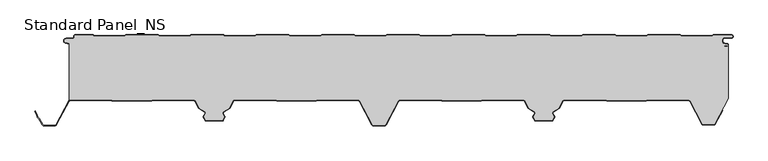
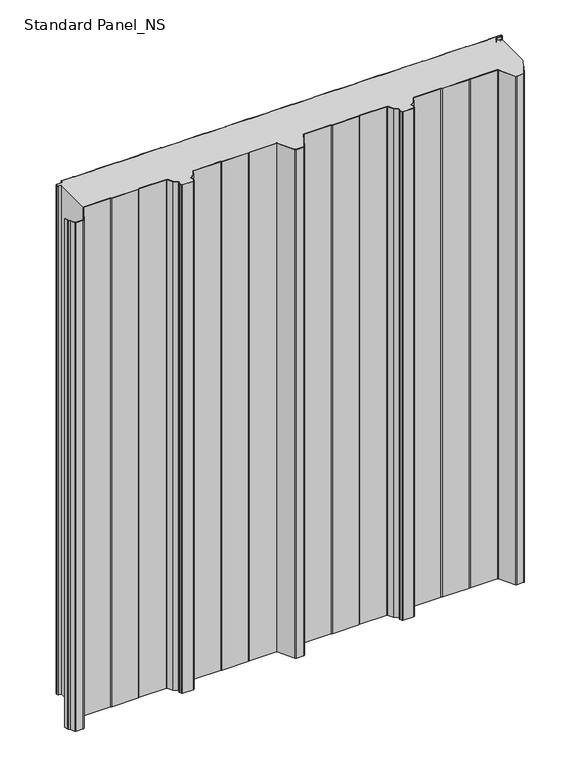
"""IFC4 building model written with IfcOpenShell, lengths in millimetres: proxy geometry, Standard Panel_NS."""

from ifc_helpers import new_model, si_unit, point, frame_2d, origin, origin_with_axes, place, context, project, spatial, polyline, circle_curve, trimmed, segment, composite_curve, outline, extrude, source, transform, mapped, element, save


def standard_panel_ns_d8371c5f(model_context):
    return source(origin(), model_context, "Body", "SweptSolid", [
        extrude(outline(composite_curve([segment(trimmed(circle_curve(frame_2d((-467.4564897, -101.75)), 2.55), [point((-467.4564897, -99.2))], [point((-468.8443846, -99.6107833))], True, "CARTESIAN"), True, "CONTINUOUS"), segment(polyline([(-468.8443846, -99.6107833), (-468.8443846, -13.0699171), (-474.2876002, -11.8132517)]), True, "CONTINUOUS"), segment(trimmed(circle_curve(frame_2d((-473.6464897, -9.036297)), 2.85), [point((-474.2876002, -11.8132517))], [point((-473.6464897, -6.186297))], False, "CARTESIAN"), True, "CONTINUOUS"), segment(polyline([(-473.6464897, -6.186297), (-463.8464897, -6.186297)]), True, "CONTINUOUS"), segment(trimmed(circle_curve(frame_2d((-463.8464897, -3.436297)), 2.75), [point((-463.8464897, -6.186297))], [point((-461.0964897, -3.436297))], True, "CARTESIAN"), True, "CONTINUOUS"), segment(polyline([(-461.0964897, -3.436297), (-461.0964897, -2.036297)]), True, "CONTINUOUS"), segment(trimmed(circle_curve(frame_2d((-459.8464897, -2.036297)), 1.25), [point((-461.0964897, -2.036297))], [point((-459.8464897, -0.786297))], False, "CARTESIAN"), True, "CONTINUOUS"), segment(polyline([(-459.8464897, -0.786297), (-432.8331943, -0.786297), (-431.1011435, -1.786297), (-384.6771824, -1.786297), (-382.902681, -0.786297), (-333.8331943, -0.786297), (-332.1011435, -1.8), (-285.6365264, -1.8), (-283.9044756, -0.8), (-234.8331943, -0.8), (-233.1011435, -1.8), (-186.6771824, -1.8), (-184.902681, -0.8), (-135.8331943, -0.8), (-134.1011435, -1.8), (-87.6771824, -1.8), (-85.902681, -0.8), (-36.8331943, -0.8), (-35.1011435, -1.8), (11.3634736, -1.8), (13.0955244, -0.8), (62.1668057, -0.8), (63.8988565, -1.8), (110.3634736, -1.8), (112.0955244, -0.8), (161.1668057, -0.8), (162.8988565, -1.8), (209.3228176, -1.8), (211.097319, -0.8), (260.1668057, -0.8), (261.8988565, -1.8), (308.3634736, -1.8), (310.0955244, -0.8), (359.1668057, -0.8), (360.8988565, -1.8), (407.3634736, -1.8), (409.0955244, -0.8), (458.1668057, -0.8), (459.8988565, -1.8), (506.3634736, -1.8), (508.0955244, -0.8), (535.6535103, -0.8)]), True, "CONTINUOUS"), segment(trimmed(circle_curve(frame_2d((535.6535103, -2.55)), 1.75), [point((535.6535103, -0.8))], [point((535.6535103, -4.3))], False, "CARTESIAN"), True, "CONTINUOUS"), segment(polyline([(535.6535103, -4.3), (526.1535103, -4.3)]), True, "CONTINUOUS"), segment(trimmed(circle_curve(frame_2d((526.1535103, -9.05)), 4.75), [point((526.1535103, -4.3))], [point((525.3286815, -13.7278368))], True, "CARTESIAN"), True, "CONTINUOUS"), segment(polyline([(525.3286815, -13.7278368), (529.6534477, -14.4904098)]), True, "CONTINUOUS"), segment(trimmed(circle_curve(frame_2d((529.5058468, -15.3274964)), 0.85), [point((529.6534477, -14.4904098))], [point((529.6253445, -16.1690547))], False, "CARTESIAN"), True, "CONTINUOUS"), segment(polyline([(529.6253445, -16.1690547), (524.7012285, -16.8682582), (524.8136969, -17.660313), (529.7378129, -16.9611095)]), True, "CONTINUOUS"), segment(trimmed(circle_curve(frame_2d((529.5058468, -15.3274964)), 1.65), [point((529.7378129, -16.9611095))], [point((531.1556156, -15.3551162))], True, "CARTESIAN"), True, "CONTINUOUS"), segment(polyline([(531.1556156, -15.3551162), (531.1556156, -96.7559646), (510.5652518, -135.4808064)]), True, "CONTINUOUS"), segment(trimmed(circle_curve(frame_2d((508.7552093, -134.5183897)), 2.05), [point((510.5652518, -135.4808064))], [point((508.7552093, -136.5683897))], False, "CARTESIAN"), True, "CONTINUOUS"), segment(polyline([(508.7552093, -136.5683897), (493.2446093, -136.5683897)]), True, "CONTINUOUS"), segment(trimmed(circle_curve(frame_2d((493.2446093, -134.5183897)), 2.05), [point((493.2446093, -136.5683897))], [point((491.4348615, -135.4813607))], False, "CARTESIAN"), True, "CONTINUOUS"), segment(polyline([(491.4348615, -135.4813607), (472.9163892, -100.5090325)]), True, "CONTINUOUS"), segment(trimmed(circle_curve(frame_2d((470.7064911, -101.7198823)), 2.5198823), [point((472.9163892, -100.5090325))], [point((470.7064911, -99.2))], True, "CARTESIAN"), True, "CONTINUOUS"), segment(polyline([(470.7064911, -99.2), (409.30759, -99.2), (406.3541332, -100.1683897), (346.5543556, -100.1683897), (343.5388467, -99.2), (281.6583282, -99.2)]), True, "CONTINUOUS"), segment(trimmed(circle_curve(frame_2d((281.4706486, -100.9901889)), 1.8), [point((281.6583282, -99.2))], [point((279.8813514, -100.1451242))], True, "CARTESIAN"), True, "CONTINUOUS"), segment(polyline([(279.8813514, -100.1451242), (273.7569305, -111.6632074), (264.7735386, -117.3508249)]), True, "CONTINUOUS"), segment(trimmed(circle_curve(frame_2d((265.7364071, -118.8716418)), 1.8), [point((264.7735386, -117.3508249))], [point((264.1273846, -119.6785164))], True, "CARTESIAN"), True, "CONTINUOUS"), segment(polyline([(264.1273846, -119.6785164), (266.7244548, -124.8574433), (263.7468294, -130.4573069), (238.2529825, -130.4573069), (235.2699012, -124.8466132), (237.8617103, -119.6784342)]), True, "CONTINUOUS"), segment(trimmed(circle_curve(frame_2d((236.2527038, -118.8715276)), 1.8), [point((237.8617103, -119.6784342))], [point((237.2156025, -117.3507298))], True, "CARTESIAN"), True, "CONTINUOUS"), segment(polyline([(237.2156025, -117.3507298), (228.2489804, -111.6734802), (222.1195681, -100.1454573)]), True, "CONTINUOUS"), segment(trimmed(circle_curve(frame_2d((220.5302541, -100.9904904)), 1.8), [point((222.1195681, -100.1454573))], [point((220.3454724, -99.2))], True, "CARTESIAN"), True, "CONTINUOUS"), segment(polyline([(220.3454724, -99.2), (158.8926889, -99.2), (156.5110491, -100.1683897), (96.7197082, -100.1683897), (94.3380684, -99.2), (32.543497, -99.2)]), True, "CONTINUOUS"), segment(trimmed(circle_curve(frame_2d((32.543497, -101.75)), 2.55), [point((32.543497, -99.2))], [point((30.2919806, -100.5528475))], True, "CARTESIAN"), True, "CONTINUOUS"), segment(polyline([(30.2919806, -100.5528475), (11.188746, -136.4808064)]), True, "CONTINUOUS"), segment(trimmed(circle_curve(frame_2d((9.3787035, -135.5183897)), 2.05), [point((11.188746, -136.4808064))], [point((9.3787035, -137.5683897))], False, "CARTESIAN"), True, "CONTINUOUS"), segment(polyline([(9.3787035, -137.5683897), (-7.3788849, -137.5683897)]), True, "CONTINUOUS"), segment(trimmed(circle_curve(frame_2d((-7.3788849, -135.5183897)), 2.05), [point((-7.3788849, -137.5683897))], [point((-9.1889275, -136.4808064))], False, "CARTESIAN"), True, "CONTINUOUS"), segment(polyline([(-9.1889275, -136.4808064), (-28.292162, -100.5528475)]), True, "CONTINUOUS"), segment(trimmed(circle_curve(frame_2d((-30.5436784, -101.75)), 2.55), [point((-28.292162, -100.5528475))], [point((-30.5436784, -99.2))], True, "CARTESIAN"), True, "CONTINUOUS"), segment(polyline([(-30.5436784, -99.2), (-91.8382499, -99.2), (-94.2198897, -100.1683897), (-154.0112306, -100.1683897), (-156.392871, -99.2), (-218.5304355, -99.2)]), True, "CONTINUOUS"), segment(trimmed(circle_curve(frame_2d((-218.5304355, -100.9997352)), 1.7997352), [point((-218.5304355, -99.2))], [point((-220.1195157, -100.1548264))], True, "CARTESIAN"), True, "CONTINUOUS"), segment(polyline([(-220.1195157, -100.1548264), (-226.2491619, -111.6832892), (-235.2157839, -117.3605387)]), True, "CONTINUOUS"), segment(trimmed(circle_curve(frame_2d((-234.2528851, -118.8813366)), 1.8), [point((-235.2157839, -117.3605387))], [point((-235.8618916, -119.6882431))], True, "CARTESIAN"), True, "CONTINUOUS"), segment(polyline([(-235.8618916, -119.6882431), (-233.2700817, -124.8564238), (-236.2531818, -130.4669529), (-261.74715, -130.4669529), (-264.7246358, -124.8672514), (-262.1275659, -119.6883253)]), True, "CONTINUOUS"), segment(trimmed(circle_curve(frame_2d((-263.7365884, -118.8814507)), 1.8), [point((-262.1275659, -119.6883253))], [point((-262.7737199, -117.3606338))], True, "CARTESIAN"), True, "CONTINUOUS"), segment(polyline([(-262.7737199, -117.3606338), (-271.7571118, -111.6730163), (-277.8815327, -100.1549332)]), True, "CONTINUOUS"), segment(trimmed(circle_curve(frame_2d((-279.4708299, -100.9999978)), 1.8), [point((-277.8815327, -100.1549332))], [point((-279.468044, -99.2))], True, "CARTESIAN"), True, "CONTINUOUS"), segment(polyline([(-279.468044, -99.2), (-341.6073108, -99.2), (-343.9889442, -100.1683897), (-403.7802849, -100.1683897), (-406.1619183, -99.2), (-467.4564897, -99.2)]), True, "CONTINUOUS")], self_intersect=False)), origin_with_axes(), (0.0, 0.0, 1.0), 1219.2),
        extrude(outline(composite_curve([segment(trimmed(circle_curve(frame_2d((535.6535103, -2.55)), 2.55), [point((535.6535103, 0.0))], [point((535.6535103, -5.1))], False, "CARTESIAN"), True, "CONTINUOUS"), segment(polyline([(535.6535103, -5.1), (526.1535103, -5.1)]), True, "CONTINUOUS"), segment(trimmed(circle_curve(frame_2d((526.1535103, -9.05)), 3.95), [point((526.1535103, -5.1))], [point((525.4676, -12.9399906))], True, "CARTESIAN"), True, "CONTINUOUS"), segment(polyline([(525.4676, -12.9399906), (529.7923663, -13.7025636)]), True, "CONTINUOUS"), segment(trimmed(circle_curve(frame_2d((529.5058468, -15.3274964)), 1.65), [point((529.7923663, -13.7025636))], [point((529.7378129, -16.9611095))], False, "CARTESIAN"), True, "CONTINUOUS"), segment(polyline([(529.7378129, -16.9611095), (524.8136969, -17.660313), (524.7012285, -16.8682582), (529.6253445, -16.1690547)]), True, "CONTINUOUS"), segment(trimmed(circle_curve(frame_2d((529.5058468, -15.3274964)), 0.85), [point((529.6253445, -16.1690547))], [point((529.6534477, -14.4904098))], True, "CARTESIAN"), True, "CONTINUOUS"), segment(polyline([(529.6534477, -14.4904098), (525.3286815, -13.7278368)]), True, "CONTINUOUS"), segment(trimmed(circle_curve(frame_2d((526.1535103, -9.05)), 4.75), [point((525.3286815, -13.7278368))], [point((526.1535103, -4.3))], False, "CARTESIAN"), True, "CONTINUOUS"), segment(polyline([(526.1535103, -4.3), (535.6535103, -4.3)]), True, "CONTINUOUS"), segment(trimmed(circle_curve(frame_2d((535.6535103, -2.55)), 1.75), [point((535.6535103, -4.3))], [point((535.6535103, -0.8))], True, "CARTESIAN"), True, "CONTINUOUS"), segment(polyline([(535.6535103, -0.8), (508.0955244, -0.8), (506.3634736, -1.8), (459.8988565, -1.8), (458.1668057, -0.8), (409.0955244, -0.8), (407.3634736, -1.8), (360.8988565, -1.8), (359.1668057, -0.8), (310.0955244, -0.8), (308.3634736, -1.8), (261.8988565, -1.8), (260.1668057, -0.8), (211.097319, -0.8), (209.3228176, -1.8), (162.8988565, -1.8), (161.1668057, -0.8), (112.0955244, -0.8), (110.3634736, -1.8), (63.8988565, -1.8), (62.1668057, -0.8), (13.0955244, -0.8), (11.3634736, -1.8), (-35.1011435, -1.8), (-36.8331943, -0.8), (-85.902681, -0.8), (-87.6771824, -1.8), (-134.1011435, -1.8), (-135.8331943, -0.8), (-184.902681, -0.8), (-186.6771824, -1.8), (-233.1011435, -1.8), (-234.8331943, -0.8), (-283.9044756, -0.8), (-285.6365264, -1.8), (-332.1011435, -1.8), (-333.8331943, -0.786297), (-382.902681, -0.786297), (-384.6771824, -1.786297), (-431.1011435, -1.786297), (-432.8331943, -0.786297), (-459.8464897, -0.786297)]), True, "CONTINUOUS"), segment(trimmed(circle_curve(frame_2d((-459.8464897, -2.036297)), 1.25), [point((-459.8464897, -0.786297))], [point((-461.0964897, -2.036297))], True, "CARTESIAN"), True, "CONTINUOUS"), segment(polyline([(-461.0964897, -2.036297), (-461.0964897, -3.436297)]), True, "CONTINUOUS"), segment(trimmed(circle_curve(frame_2d((-463.8464897, -3.436297)), 2.75), [point((-461.0964897, -3.436297))], [point((-463.8464897, -6.186297))], False, "CARTESIAN"), True, "CONTINUOUS"), segment(polyline([(-463.8464897, -6.186297), (-473.6464897, -6.186297)]), True, "CONTINUOUS"), segment(trimmed(circle_curve(frame_2d((-473.6464897, -9.036297)), 2.85), [point((-473.6464897, -6.186297))], [point((-474.2876002, -11.8132517))], True, "CARTESIAN"), True, "CONTINUOUS"), segment(polyline([(-474.2876002, -11.8132517), (-468.8443846, -13.0699171), (-469.0243454, -13.8494131), (-474.4675611, -12.5927478)]), True, "CONTINUOUS"), segment(trimmed(circle_curve(frame_2d((-473.6464897, -9.036297)), 3.65), [point((-474.4675611, -12.5927478))], [point((-473.6464897, -5.386297))], False, "CARTESIAN"), True, "CONTINUOUS"), segment(polyline([(-473.6464897, -5.386297), (-463.8464897, -5.386297)]), True, "CONTINUOUS"), segment(trimmed(circle_curve(frame_2d((-463.8464897, -3.436297)), 1.95), [point((-463.8464897, -5.386297))], [point((-461.8964897, -3.436297))], True, "CARTESIAN"), True, "CONTINUOUS"), segment(polyline([(-461.8964897, -3.436297), (-461.8964897, -2.036297)]), True, "CONTINUOUS"), segment(trimmed(circle_curve(frame_2d((-459.8464897, -2.036297)), 2.05), [point((-461.8964897, -2.036297))], [point((-459.8464897, 0.013703))], False, "CARTESIAN"), True, "CONTINUOUS"), segment(polyline([(-459.8464897, 0.013703), (-432.618835, 0.013703), (-430.8867842, -0.986297), (-384.8870804, -0.986297), (-383.1125789, 0.013703), (-333.618835, 0.013703), (-331.8867842, -1.0), (-285.8508858, -1.0), (-284.118835, 0.0), (-234.618835, 0.0), (-232.8867842, -1.0), (-186.8870804, -1.0), (-185.1125789, 0.0), (-135.618835, 0.0), (-133.8867842, -1.0), (-87.8870804, -1.0), (-86.1125789, 0.0), (-36.618835, 0.0), (-34.8867842, -1.0), (11.1491142, -1.0), (12.881165, 0.0), (62.381165, 0.0), (64.1132158, -1.0), (110.1491142, -1.0), (111.881165, 0.0), (161.381165, 0.0), (163.1132158, -1.0), (209.1129196, -1.0), (210.8874211, 0.0), (260.381165, 0.0), (262.1132158, -1.0), (308.1491142, -1.0), (309.881165, 0.0), (359.381165, 0.0), (361.1132158, -1.0), (407.1491142, -1.0), (408.881165, 0.0), (458.381165, 0.0), (460.1132158, -1.0), (506.1491142, -1.0), (507.881165, 0.0), (535.6535103, 0.0)]), True, "CONTINUOUS")], self_intersect=False)), origin_with_axes(), (0.0, 0.0, 1.0), 1219.2),
        extrude(outline(composite_curve([segment(trimmed(circle_curve(frame_2d((-467.4564897, -101.75)), 1.75), [point((-467.4564897, -100.0))], [point((-469.001648, -100.9284248))], True, "CARTESIAN"), True, "CONTINUOUS"), segment(polyline([(-469.001648, -100.9284248), (-488.1048826, -136.8563836)]), True, "CONTINUOUS"), segment(trimmed(circle_curve(frame_2d((-490.6212832, -135.5183897)), 2.85), [point((-488.1048826, -136.8563836))], [point((-490.6212832, -138.3683897))], False, "CARTESIAN"), True, "CONTINUOUS"), segment(polyline([(-490.6212832, -138.3683897), (-507.3620907, -138.3683897)]), True, "CONTINUOUS"), segment(trimmed(circle_curve(frame_2d((-507.3620907, -135.5183897)), 2.85), [point((-507.3620907, -138.3683897))], [point((-509.8784914, -136.8563836))], False, "CARTESIAN"), True, "CONTINUOUS"), segment(polyline([(-509.8784914, -136.8563836), (-514.7628407, -127.6702585), (-517.1803883, -125.3708693), (-517.7777505, -122.000038), (-520.8462798, -116.2289737), (-520.1399217, -115.8533964), (-517.0120726, -121.7360251), (-516.4385398, -124.9723908), (-514.1174305, -127.1800551), (-509.1721333, -136.4808064)]), True, "CONTINUOUS"), segment(trimmed(circle_curve(frame_2d((-507.3620907, -135.5183897)), 2.05), [point((-509.1721333, -136.4808064))], [point((-507.3620907, -137.5683897))], True, "CARTESIAN"), True, "CONTINUOUS"), segment(polyline([(-507.3620907, -137.5683897), (-490.6212832, -137.5683897)]), True, "CONTINUOUS"), segment(trimmed(circle_curve(frame_2d((-490.6212832, -135.5183897)), 2.05), [point((-490.6212832, -137.5683897))], [point((-488.8112406, -136.4808064))], True, "CARTESIAN"), True, "CONTINUOUS"), segment(polyline([(-488.8112406, -136.4808064), (-469.7080061, -100.5528475)]), True, "CONTINUOUS"), segment(trimmed(circle_curve(frame_2d((-467.4564897, -101.75)), 2.55), [point((-469.7080061, -100.5528475))], [point((-467.4564897, -99.2))], False, "CARTESIAN"), True, "CONTINUOUS"), segment(polyline([(-467.4564897, -99.2), (-406.1619183, -99.2), (-403.7802849, -100.1683897), (-343.9889442, -100.1683897), (-341.6073108, -99.2), (-279.468044, -99.2)]), True, "CONTINUOUS"), segment(trimmed(circle_curve(frame_2d((-279.4708299, -100.9999978)), 1.8), [point((-279.468044, -99.2))], [point((-277.8815327, -100.1549332))], False, "CARTESIAN"), True, "CONTINUOUS"), segment(polyline([(-277.8815327, -100.1549332), (-271.7571118, -111.6730163), (-262.7737199, -117.3606338)]), True, "CONTINUOUS"), segment(trimmed(circle_curve(frame_2d((-263.7365884, -118.8814507)), 1.8), [point((-262.7737199, -117.3606338))], [point((-262.1275659, -119.6883253))], False, "CARTESIAN"), True, "CONTINUOUS"), segment(polyline([(-262.1275659, -119.6883253), (-264.7246358, -124.8672514), (-261.74715, -130.4669529), (-236.2531818, -130.4669529), (-233.2700817, -124.8564238), (-235.8618916, -119.6882431)]), True, "CONTINUOUS"), segment(trimmed(circle_curve(frame_2d((-234.2528851, -118.8813366)), 1.8), [point((-235.8618916, -119.6882431))], [point((-235.2157839, -117.3605387))], False, "CARTESIAN"), True, "CONTINUOUS"), segment(polyline([(-235.2157839, -117.3605387), (-226.2491619, -111.6832892), (-220.1195157, -100.1548264)]), True, "CONTINUOUS"), segment(trimmed(circle_curve(frame_2d((-218.5304355, -100.9997352)), 1.7997352), [point((-220.1195157, -100.1548264))], [point((-218.5304355, -99.2))], False, "CARTESIAN"), True, "CONTINUOUS"), segment(polyline([(-218.5304355, -99.2), (-156.392871, -99.2), (-154.0112306, -100.1683897), (-94.2198897, -100.1683897), (-91.8382499, -99.2), (-30.5436784, -99.2)]), True, "CONTINUOUS"), segment(trimmed(circle_curve(frame_2d((-30.5436784, -101.75)), 2.55), [point((-30.5436784, -99.2))], [point((-28.292162, -100.5528475))], False, "CARTESIAN"), True, "CONTINUOUS"), segment(polyline([(-28.292162, -100.5528475), (-9.1889275, -136.4808064)]), True, "CONTINUOUS"), segment(trimmed(circle_curve(frame_2d((-7.3788849, -135.5183897)), 2.05), [point((-9.1889275, -136.4808064))], [point((-7.3788849, -137.5683897))], True, "CARTESIAN"), True, "CONTINUOUS"), segment(polyline([(-7.3788849, -137.5683897), (9.3787035, -137.5683897)]), True, "CONTINUOUS"), segment(trimmed(circle_curve(frame_2d((9.3787035, -135.5183897)), 2.05), [point((9.3787035, -137.5683897))], [point((11.188746, -136.4808064))], True, "CARTESIAN"), True, "CONTINUOUS"), segment(polyline([(11.188746, -136.4808064), (30.2919806, -100.5528475)]), True, "CONTINUOUS"), segment(trimmed(circle_curve(frame_2d((32.543497, -101.75)), 2.55), [point((30.2919806, -100.5528475))], [point((32.543497, -99.2))], False, "CARTESIAN"), True, "CONTINUOUS"), segment(polyline([(32.543497, -99.2), (93.8380684, -99.2), (96.2197082, -100.1683897), (156.0110491, -100.1683897), (158.3926889, -99.2), (220.3454724, -99.2)]), True, "CONTINUOUS"), segment(trimmed(circle_curve(frame_2d((220.5302541, -100.9904904)), 1.8), [point((220.3454724, -99.2))], [point((222.1195681, -100.1454573))], False, "CARTESIAN"), True, "CONTINUOUS"), segment(polyline([(222.1195681, -100.1454573), (228.2489804, -111.6734802), (237.2156025, -117.3507298)]), True, "CONTINUOUS"), segment(trimmed(circle_curve(frame_2d((236.2527038, -118.8715276)), 1.8), [point((237.2156025, -117.3507298))], [point((237.8617103, -119.6784342))], False, "CARTESIAN"), True, "CONTINUOUS"), segment(polyline([(237.8617103, -119.6784342), (235.2699012, -124.8466132), (238.2529825, -130.4573069), (263.7468294, -130.4573069), (266.7244548, -124.8574433), (264.1273846, -119.6785164)]), True, "CONTINUOUS"), segment(trimmed(circle_curve(frame_2d((265.7364071, -118.8716418)), 1.8), [point((264.1273846, -119.6785164))], [point((264.7735386, -117.3508249))], False, "CARTESIAN"), True, "CONTINUOUS"), segment(polyline([(264.7735386, -117.3508249), (273.7569305, -111.6632074), (279.8813514, -100.1451242)]), True, "CONTINUOUS"), segment(trimmed(circle_curve(frame_2d((281.4706486, -100.9901889)), 1.8), [point((279.8813514, -100.1451242))], [point((281.6583282, -99.2))], False, "CARTESIAN"), True, "CONTINUOUS"), segment(polyline([(281.6583282, -99.2), (343.440414, -99.2), (346.4559229, -100.1683897), (406.3541332, -100.1683897), (409.30759, -99.2), (470.7064911, -99.2)]), True, "CONTINUOUS"), segment(trimmed(circle_curve(frame_2d((470.7064911, -101.7198823)), 2.5198823), [point((470.7064911, -99.2))], [point((472.9163892, -100.5090325))], False, "CARTESIAN"), True, "CONTINUOUS"), segment(polyline([(472.9163892, -100.5090325), (491.4348615, -135.4813607)]), True, "CONTINUOUS"), segment(trimmed(circle_curve(frame_2d((493.2446093, -134.5183897)), 2.05), [point((491.4348615, -135.4813607))], [point((493.2446093, -136.5683897))], True, "CARTESIAN"), True, "CONTINUOUS"), segment(polyline([(493.2446093, -136.5683897), (508.7552093, -136.5683897)]), True, "CONTINUOUS"), segment(trimmed(circle_curve(frame_2d((508.7552093, -134.5183897)), 2.05), [point((508.7552093, -136.5683897))], [point((510.5652518, -135.4808064))], True, "CARTESIAN"), True, "CONTINUOUS"), segment(polyline([(510.5652518, -135.4808064), (521.5330465, -114.8533847), (522.2394046, -115.2289619), (511.2716099, -135.8563836)]), True, "CONTINUOUS"), segment(trimmed(circle_curve(frame_2d((508.7552093, -134.5183897)), 2.85), [point((511.2716099, -135.8563836))], [point((508.7552093, -137.3683897))], False, "CARTESIAN"), True, "CONTINUOUS"), segment(polyline([(508.7552093, -137.3683897), (493.2446093, -137.3683897)]), True, "CONTINUOUS"), segment(trimmed(circle_curve(frame_2d((493.2446093, -134.5183897)), 2.85), [point((493.2446093, -137.3683897))], [point((490.7282086, -135.8563836))], False, "CARTESIAN"), True, "CONTINUOUS"), segment(polyline([(490.7282086, -135.8563836), (472.2123141, -100.8889236)]), True, "CONTINUOUS"), segment(trimmed(circle_curve(frame_2d((470.7064911, -101.7198823)), 1.7198823), [point((472.2123141, -100.8889236))], [point((470.7064911, -100.0))], True, "CARTESIAN"), True, "CONTINUOUS"), segment(polyline([(470.7064911, -100.0), (409.435396, -100.0), (406.4819392, -100.9683897), (346.3306196, -100.9683897), (343.3151107, -100.0), (281.6103837, -100.0)]), True, "CONTINUOUS"), segment(trimmed(circle_curve(frame_2d((281.4706486, -100.9901889)), 1.0), [point((281.6103837, -100.0))], [point((280.5877057, -100.5207085))], True, "CARTESIAN"), True, "CONTINUOUS"), segment(polyline([(280.5877057, -100.5207085), (274.3638391, -112.2258174), (265.2014801, -118.0267435)]), True, "CONTINUOUS"), segment(trimmed(circle_curve(frame_2d((265.7364071, -118.8716418)), 1.0), [point((265.2014801, -118.0267435))], [point((264.8425057, -119.3199055))], True, "CARTESIAN"), True, "CONTINUOUS"), segment(polyline([(264.8425057, -119.3199055), (267.3932697, -124.4064911)]), True, "CONTINUOUS"), segment(trimmed(circle_curve(frame_2d((266.4993683, -124.8547548)), 1.0), [point((267.3932697, -124.4064911))], [point((267.3823077, -125.3242418))], False, "CARTESIAN"), True, "CONTINUOUS"), segment(polyline([(267.3823077, -125.3242418), (264.6506332, -130.4615583)]), True, "CONTINUOUS"), segment(trimmed(circle_curve(frame_2d((263.3262591, -129.7573465)), 1.4999604), [point((264.6506332, -130.4615583))], [point((263.3262591, -131.2573069))], False, "CARTESIAN"), True, "CONTINUOUS"), segment(polyline([(263.3262591, -131.2573069), (238.673644, -131.2573069)]), True, "CONTINUOUS"), segment(trimmed(circle_curve(frame_2d((238.673644, -129.7572281)), 1.5000788), [point((238.673644, -131.2573069))], [point((237.3491357, -130.4614397))], False, "CARTESIAN"), True, "CONTINUOUS"), segment(polyline([(237.3491357, -130.4614397), (234.6120274, -125.3133815)]), True, "CONTINUOUS"), segment(trimmed(circle_curve(frame_2d((235.4949866, -124.8439317)), 1.0), [point((234.6120274, -125.3133815))], [point((234.6010941, -124.3956503))], False, "CARTESIAN"), True, "CONTINUOUS"), segment(polyline([(234.6010941, -124.3956503), (237.1465963, -119.319809)]), True, "CONTINUOUS"), segment(trimmed(circle_curve(frame_2d((236.2527038, -118.8715276)), 1.0), [point((237.1465963, -119.319809))], [point((236.7876475, -118.0266399))], True, "CARTESIAN"), True, "CONTINUOUS"), segment(polyline([(236.7876475, -118.0266399), (227.6420606, -112.2360781), (221.4132063, -100.5210275)]), True, "CONTINUOUS"), segment(trimmed(circle_curve(frame_2d((220.5302541, -100.9904904)), 1.0), [point((221.4132063, -100.5210275))], [point((220.3926719, -100.0))], True, "CARTESIAN"), True, "CONTINUOUS"), segment(polyline([(220.3926719, -100.0), (158.5491133, -100.0), (156.1674734, -100.9683897), (96.0632839, -100.9683897), (93.6816441, -100.0), (32.543497, -100.0)]), True, "CONTINUOUS"), segment(trimmed(circle_curve(frame_2d((32.543497, -101.75)), 1.75), [point((32.543497, -100.0))], [point((30.9983387, -100.9284248))], True, "CARTESIAN"), True, "CONTINUOUS"), segment(polyline([(30.9983387, -100.9284248), (11.8951041, -136.8563836)]), True, "CONTINUOUS"), segment(trimmed(circle_curve(frame_2d((9.3787035, -135.5183897)), 2.85), [point((11.8951041, -136.8563836))], [point((9.3787035, -138.3683897))], False, "CARTESIAN"), True, "CONTINUOUS"), segment(polyline([(9.3787035, -138.3683897), (-7.3788849, -138.3683897)]), True, "CONTINUOUS"), segment(trimmed(circle_curve(frame_2d((-7.3788849, -135.5183897)), 2.85), [point((-7.3788849, -138.3683897))], [point((-9.8952855, -136.8563836))], False, "CARTESIAN"), True, "CONTINUOUS"), segment(polyline([(-9.8952855, -136.8563836), (-28.9985201, -100.9284248)]), True, "CONTINUOUS"), segment(trimmed(circle_curve(frame_2d((-30.5436784, -101.75)), 1.75), [point((-28.9985201, -100.9284248))], [point((-30.5436784, -100.0))], True, "CARTESIAN"), True, "CONTINUOUS"), segment(polyline([(-30.5436784, -100.0), (-91.6818255, -100.0), (-94.0634654, -100.9683897), (-154.1676549, -100.9683897), (-156.5492953, -99.9999999), (-218.5304355, -99.9999999)]), True, "CONTINUOUS"), segment(trimmed(circle_curve(frame_2d((-218.5304355, -100.9997352)), 0.9997353), [point((-218.5304355, -99.9999999))], [point((-219.413154, -100.5303966))], True, "CARTESIAN"), True, "CONTINUOUS"), segment(polyline([(-219.413154, -100.5303966), (-225.6422421, -112.2458871), (-234.7878289, -118.0364489)]), True, "CONTINUOUS"), segment(trimmed(circle_curve(frame_2d((-234.2528851, -118.8813366)), 1.0), [point((-234.7878289, -118.0364489))], [point((-235.1467776, -119.329618))], True, "CARTESIAN"), True, "CONTINUOUS"), segment(polyline([(-235.1467776, -119.329618), (-232.6012754, -124.4054592)]), True, "CONTINUOUS"), segment(trimmed(circle_curve(frame_2d((-233.4951679, -124.8537406)), 1.0), [point((-232.6012754, -124.4054592))], [point((-232.6122157, -125.3232034))], False, "CARTESIAN"), True, "CONTINUOUS"), segment(polyline([(-232.6122157, -125.3232034), (-235.3493606, -130.4711471)]), True, "CONTINUOUS"), segment(trimmed(circle_curve(frame_2d((-236.6737889, -129.7669529)), 1.5), [point((-235.3493606, -130.4711471))], [point((-236.6737889, -131.2669529))], False, "CARTESIAN"), True, "CONTINUOUS"), segment(polyline([(-236.6737889, -131.2669529), (-261.2993182, -131.2669529)]), True, "CONTINUOUS"), segment(trimmed(circle_curve(frame_2d((-261.3264221, -129.7671978)), 1.5), [point((-261.2993182, -131.2669529))], [point((-262.6508365, -130.4714183))], False, "CARTESIAN"), True, "CONTINUOUS"), segment(polyline([(-262.6508365, -130.4714183), (-265.3824926, -125.3340441)]), True, "CONTINUOUS"), segment(trimmed(circle_curve(frame_2d((-264.4995496, -124.8645637)), 1.0), [point((-265.3824926, -125.3340441))], [point((-265.393451, -124.4163001))], False, "CARTESIAN"), True, "CONTINUOUS"), segment(polyline([(-265.393451, -124.4163001), (-262.842687, -119.3297144)]), True, "CONTINUOUS"), segment(trimmed(circle_curve(frame_2d((-263.7365884, -118.8814507)), 1.0), [point((-262.842687, -119.3297144))], [point((-263.2016615, -118.0365524))], True, "CARTESIAN"), True, "CONTINUOUS"), segment(polyline([(-263.2016615, -118.0365524), (-272.3640204, -112.2356263), (-278.587887, -100.5305175)]), True, "CONTINUOUS"), segment(trimmed(circle_curve(frame_2d((-279.4708299, -100.9999978)), 1.0), [point((-278.587887, -100.5305175))], [point((-279.4687534, -100.0))], True, "CARTESIAN"), True, "CONTINUOUS"), segment(polyline([(-279.4687534, -100.0), (-341.4508861, -100.0), (-343.8325195, -100.9683897), (-403.9367096, -100.9683897), (-406.318343, -100.0), (-467.4564897, -100.0)]), True, "CONTINUOUS")], self_intersect=False)), origin_with_axes(), (0.0, 0.0, 1.0), 1219.2),
    ])


if __name__ == "__main__":
    model = new_model("IFC4")
    model_context = context("Model", 3, world=origin())
    ifc_project = project(units=[si_unit("LENGTHUNIT", "METRE", prefix="MILLI")], contexts=[model_context])
    site = spatial("IfcSite", under=ifc_project)
    building = spatial("IfcBuilding", under=site)
    placement = place(None, origin())
    standard_panel_ns_shape = standard_panel_ns_d8371c5f(model_context)
    element("IfcBuildingElementProxy", 1, Name="Standard Panel_NS", ObjectType="Standard Panel_NS", at=placement, inside=building, context=model_context, shape_type="MappedRepresentation", body=[
        mapped(standard_panel_ns_shape, transform((0.0, 0.0, 0.0), x_axis=(1.0, 0.0, 0.0), y_axis=(0.0, 1.0, 0.0), z_axis=(0.0, 0.0, 1.0))),
    ])
    save(model, "model.ifc")
